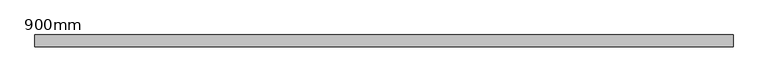
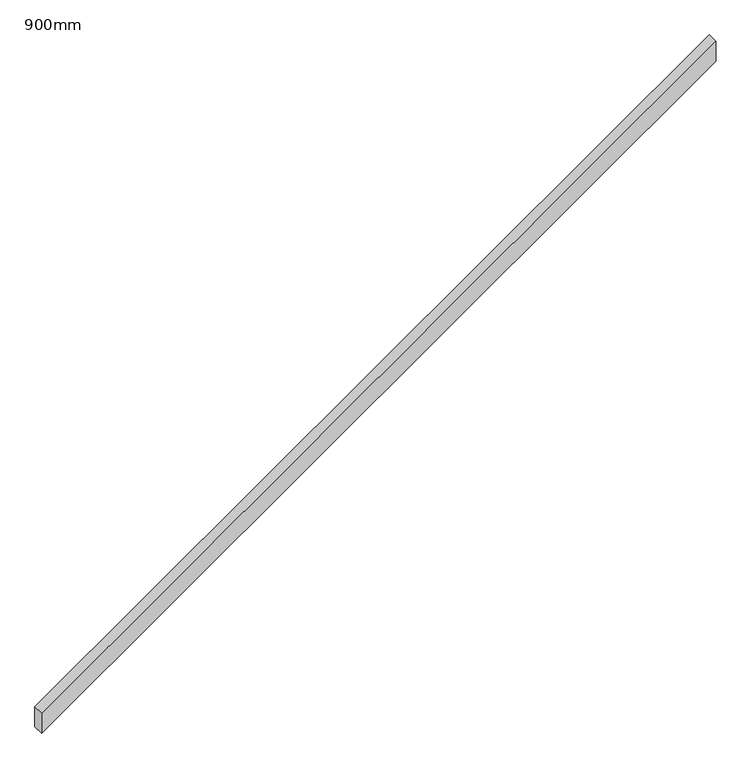
"""IFC4 building model written with IfcOpenShell, lengths in millimetres: railing geometry, 900mm."""

from ifc_helpers import new_model, si_unit, frame, origin, place, context, project, spatial, polyline, outline, extrude, source, transform, mapped, element, save


def railing_900mm_212a3ef7(model_context):
    return source(origin(), model_context, "Body", "SweptSolid", [
        extrude(outline(polyline([(1075.5384615, 144147.861144), (982.4302923, 144147.861144), (3088.8918307, 147147.861144), (3182.0, 147147.861144), (1075.5384615, 144147.861144)])), frame((0.0, 47280.0558522, 0.0), z_axis=(0.0, 1.0, 0.0), x_axis=(0.0, 0.0, 1.0)), (0.0, 0.0, 1.0), 50.8),
    ])


if __name__ == "__main__":
    model = new_model("IFC4")
    model_context = context("Model", 3, world=origin())
    ifc_project = project(units=[si_unit("LENGTHUNIT", "METRE", prefix="MILLI")], contexts=[model_context])
    site = spatial("IfcSite", under=ifc_project)
    building = spatial("IfcBuilding", under=site)
    placement = place(None, origin())
    railing_900mm_shape = railing_900mm_212a3ef7(model_context)
    element("IfcRailing", 1, ObjectType="900mm", at=placement, inside=building, context=model_context, shape_type="MappedRepresentation", body=[
        mapped(railing_900mm_shape, transform((0.0, 0.0, 0.0), x_axis=(1.0, 0.0, 0.0), y_axis=(0.0, 1.0, 0.0), z_axis=(0.0, 0.0, 1.0))),
    ])
    save(model, "model.ifc")
